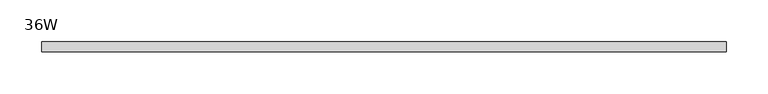
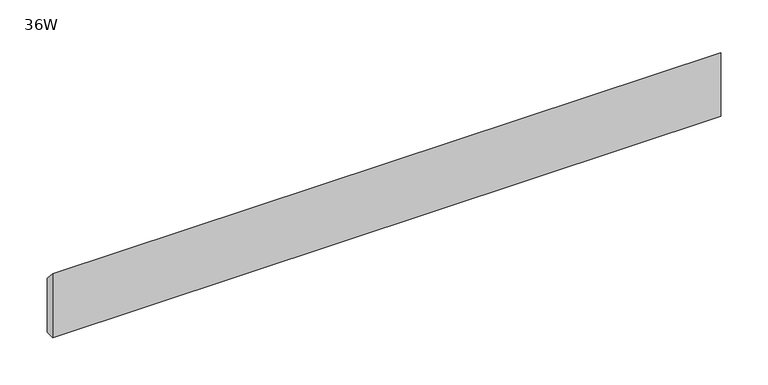
"""IFC4 building model written with IfcOpenShell, lengths in millimetres: furniture geometry, 36W."""

from ifc_helpers import new_model, si_unit, frame, origin, place, context, project, spatial, polyline, outline, extrude, source, transform, mapped, element, save


def furniture_36w_4785e9d2(model_context):
    return source(origin(), model_context, "Body", "SweptSolid", [
        extrude(outline(polyline([(-11.938, 882.65), (-11.938, 965.2), (0.0, 952.5), (0.0, 882.65), (-11.938, 882.65)])), frame((48.006, 0.0, 0.0), z_axis=(1.0, 0.0, 0.0), x_axis=(0.0, 1.0, 0.0)), (0.0, 0.0, 1.0), 818.388),
    ])


if __name__ == "__main__":
    model = new_model("IFC4")
    model_context = context("Model", 3, world=origin())
    ifc_project = project(units=[si_unit("LENGTHUNIT", "METRE", prefix="MILLI")], contexts=[model_context])
    site = spatial("IfcSite", under=ifc_project)
    building = spatial("IfcBuilding", under=site)
    placement = place(None, origin())
    furniture_36w_shape = furniture_36w_4785e9d2(model_context)
    element("IfcFurniture", 1, ObjectType="36W", at=placement, inside=building, context=model_context, shape_type="MappedRepresentation", body=[
        mapped(furniture_36w_shape, transform((0.0, 0.0, 0.0), x_axis=(1.0, 0.0, 0.0), y_axis=(0.0, 1.0, 0.0), z_axis=(0.0, 0.0, 1.0))),
    ])
    save(model, "model.ifc")
